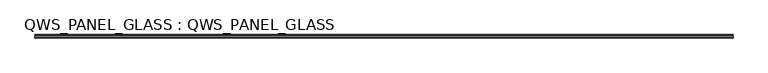
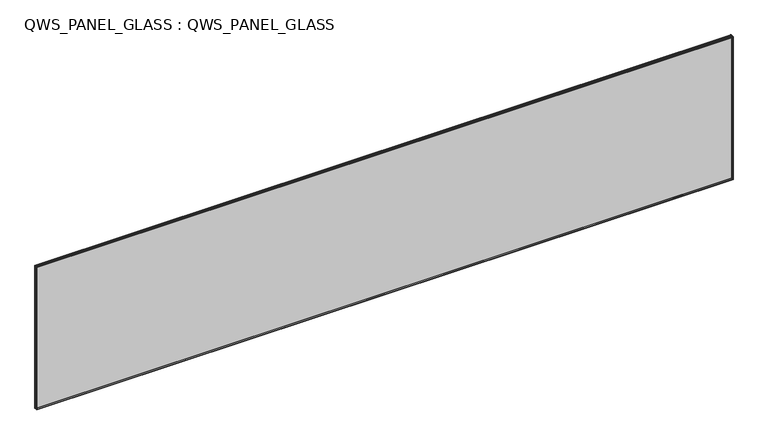
"""IFC4 building model written with IfcOpenShell, lengths in millimetres: plate geometry, QWS_PANEL_GLASS : QWS_PANEL_GLASS."""

from ifc_helpers import new_model, si_unit, frame, origin, place, context, project, spatial, polyline, outline, extrude, faceted_brep, source, transform, mapped, element, save


def qws_panel_glass_qws_panel_glass_76de3948(model_context):
    return source(origin(), model_context, "Body", "SolidModel", [
        extrude(outline(polyline([(-8928.830016, 33.4392996), (-8928.0895236, 34.179792), (8928.0895236, 34.179792), (8928.830016, 33.4392996), (8928.830016, 28.9297919), (8928.080016, 28.1797919), (-8928.080016, 28.1797919), (-8928.830016, 28.9297919), (-8928.830016, 33.4392996)])), frame((0.0, 0.0, 6.3500063), z_axis=(0.0, 0.0, 1.0), x_axis=(1.0, 0.0, 0.0)), (0.0, 0.0, 1.0), 3869.8250892),
        extrude(outline(polyline([(-8928.830016, 10.8642995), (-8928.0895236, 11.6047918), (8928.0895236, 11.6047918), (8928.830016, 10.8642995), (8928.830016, 6.3547918), (8928.080016, 5.6047918), (-8928.080016, 5.6047918), (-8928.830016, 6.3547918), (-8928.830016, 10.8642995)])), frame((0.0, 0.0, 6.3500063), z_axis=(0.0, 0.0, 1.0), x_axis=(1.0, 0.0, 0.0)), (0.0, 0.0, 1.0), 3869.8250892),
        faceted_brep([(-8928.080016, 11.6047919, 7.1000063), (-8928.080016, 28.179792, 7.1000063), (8928.080016, 28.179792, 7.1000063), (8928.080016, 11.6047919, 7.1000063), (-8919.0800159, 28.179792, 16.1000064), (-8919.0800159, 11.6047919, 16.1000064), (8919.0800159, 11.6047919, 16.1000064), (8919.0800159, 28.179792, 16.1000064), (8928.080016, 28.179792, 3875.4250955), (8928.080016, 11.6047919, 3875.4250955), (8919.0800159, 11.6047919, 3866.4250954), (8919.0800159, 28.179792, 3866.4250954), (-8928.080016, 28.179792, 3875.4250955), (-8928.080016, 11.6047919, 3875.4250955), (-8919.0800159, 11.6047919, 3866.4250954), (-8919.0800159, 28.179792, 3866.4250954)], [[[0, 1, 2, 3]], [[4, 5, 6, 7]], [[3, 2, 8, 9]], [[7, 6, 10, 11]], [[9, 8, 12, 13]], [[11, 10, 14, 15]], [[1, 12, 8, 2], [7, 11, 15, 4]], [[13, 12, 1, 0]], [[15, 14, 5, 4]], [[3, 9, 13, 0], [5, 14, 10, 6]]]),
        faceted_brep([(-8925.730241, 34.179792, 9.4497813), (-8925.730241, 37.4051031, 9.4497813), (8925.730241, 37.4051031, 9.4497813), (8925.730241, 34.179792, 9.4497813), (-8917.7302572, 37.4051031, 17.4497651), (-8917.7302572, 34.179792, 17.4497651), (8917.7302572, 34.179792, 17.4497651), (8917.7302572, 37.4051031, 17.4497651), (8925.730241, 37.4051031, 3873.0753205), (8925.730241, 34.179792, 3873.0753205), (8917.7302572, 34.179792, 3865.0753367), (8917.7302572, 37.4051031, 3865.0753367), (-8925.730241, 37.4051031, 3873.0753205), (-8925.730241, 34.179792, 3873.0753205), (-8917.7302572, 34.179792, 3865.0753367), (-8917.7302572, 37.4051031, 3865.0753367)], [[[0, 1, 2, 3]], [[4, 5, 6, 7]], [[3, 2, 8, 9]], [[7, 6, 10, 11]], [[9, 8, 12, 13]], [[11, 10, 14, 15]], [[1, 12, 8, 2], [7, 11, 15, 4]], [[13, 12, 1, 0]], [[3, 9, 13, 0], [5, 14, 10, 6]], [[15, 14, 5, 4]]]),
        faceted_brep([(-8917.8185052, 5.604792, 17.3615171), (-8917.8185052, 2.6397305, 17.3615171), (8917.8185052, 2.6397305, 17.3615171), (8917.8185052, 5.604792, 17.3615171), (-8935.1800223, -12.1420405, 0.0), (-8935.1800223, 5.604792, 0.0), (8935.1800223, 5.604792, 0.0), (8935.1800223, -12.1420405, 0.0), (-8933.9222746, 2.6397305, 1.2577476), (-8933.9222746, -12.1420405, 1.2577476), (8933.9222746, -12.1420405, 1.2577476), (8933.9222746, 2.6397305, 1.2577476), (8917.8185052, 2.6397305, 3865.1635847), (8917.8185052, 5.604792, 3865.1635847), (8935.1800223, 5.604792, 3882.5251018), (8935.1800223, -12.1420405, 3882.5251018), (8933.9222746, -12.1420405, 3881.2673541), (8933.9222746, 2.6397305, 3881.2673541), (-8917.8185052, 2.6397305, 3865.1635847), (-8917.8185052, 5.604792, 3865.1635847), (-8935.1800223, 5.604792, 3882.5251018), (-8935.1800223, -12.1420405, 3882.5251018), (-8933.9222746, -12.1420405, 3881.2673541), (-8933.9222746, 2.6397305, 3881.2673541)], [[[0, 1, 2, 3]], [[4, 5, 6, 7]], [[8, 9, 10, 11]], [[3, 2, 12, 13]], [[7, 6, 14, 15]], [[11, 10, 16, 17]], [[13, 12, 18, 19]], [[15, 14, 20, 21]], [[17, 16, 22, 23]], [[11, 17, 23, 8], [1, 18, 12, 2]], [[19, 18, 1, 0]], [[5, 20, 14, 6], [3, 13, 19, 0]], [[21, 20, 5, 4]], [[7, 15, 21, 4], [9, 22, 16, 10]], [[23, 22, 9, 8]]]),
        faceted_brep([(-8917.818505, 2.6397303, 17.3615172), (-8917.818505, -39.4200311, 17.3615172), (8917.818505, -39.4200311, 17.3615172), (8917.818505, 2.6397303, 17.3615172), (-8926.4818352, -1.7407893, 8.6981871), (-8926.4818352, 2.6397303, 8.6981871), (8926.4818352, 2.6397303, 8.6981871), (8926.4818352, -1.7407893, 8.6981871), (-8919.0885047, -18.6882645, 16.0915175), (-8919.0885047, -1.7407893, 16.0915175), (8919.0885047, -1.7407893, 16.0915175), (8919.0885047, -18.6882645, 16.0915175), (-8935.1800223, -36.2451682, 0.0), (-8935.1800223, -18.6882645, 0.0), (8935.1800223, -18.6882645, 0.0), (8935.1800223, -36.2451682, 0.0), (-8933.2165365, -39.4200311, 1.9634857), (-8933.2165365, -36.2451682, 1.9634857), (8933.2165365, -36.2451682, 1.9634857), (8933.2165365, -39.4200311, 1.9634857), (8917.818505, -39.4200311, 3865.1635845), (8917.818505, 2.6397303, 3865.1635845), (8926.4818352, 2.6397303, 3873.8269147), (8926.4818352, -1.7407893, 3873.8269147), (8919.0885047, -1.7407893, 3866.4335842), (8919.0885047, -18.6882645, 3866.4335842), (8935.1800223, -18.6882645, 3882.5251018), (8935.1800223, -36.2451682, 3882.5251018), (8933.2165365, -36.2451682, 3880.561616), (8933.2165365, -39.4200311, 3880.561616), (-8917.818505, -39.4200311, 3865.1635845), (-8917.818505, 2.6397303, 3865.1635845), (-8926.4818352, 2.6397303, 3873.8269147), (-8926.4818352, -1.7407893, 3873.8269147), (-8919.0885047, -1.7407893, 3866.4335842), (-8919.0885047, -18.6882645, 3866.4335842), (-8935.1800223, -18.6882645, 3882.5251018), (-8935.1800223, -36.2451682, 3882.5251018), (-8933.2165365, -36.2451682, 3880.561616), (-8933.2165365, -39.4200311, 3880.561616)], [[[0, 1, 2, 3]], [[4, 5, 6, 7]], [[8, 9, 10, 11]], [[12, 13, 14, 15]], [[16, 17, 18, 19]], [[3, 2, 20, 21]], [[7, 6, 22, 23]], [[11, 10, 24, 25]], [[15, 14, 26, 27]], [[19, 18, 28, 29]], [[21, 20, 30, 31]], [[23, 22, 32, 33]], [[25, 24, 34, 35]], [[27, 26, 36, 37]], [[29, 28, 38, 39]], [[31, 30, 1, 0]], [[5, 32, 22, 6], [3, 21, 31, 0]], [[33, 32, 5, 4]], [[7, 23, 33, 4], [9, 34, 24, 10]], [[35, 34, 9, 8]], [[13, 36, 26, 14], [11, 25, 35, 8]], [[37, 36, 13, 12]], [[15, 27, 37, 12], [17, 38, 28, 18]], [[39, 38, 17, 16]], [[19, 29, 39, 16], [1, 30, 20, 2]]]),
        faceted_brep([(-8925.7302409, 37.405103, 9.4497813), (-8925.7302409, 40.008095, 9.4497813), (8925.7302409, 40.008095, 9.4497813), (8925.7302409, 37.405103, 9.4497813), (-8917.730257, 41.405095, 17.4497652), (-8917.730257, 37.405103, 17.4497652), (8917.730257, 37.405103, 17.4497652), (8917.730257, 41.405095, 17.4497652), (-8935.1800223, 40.008095, 0.0), (-8935.1800223, 41.405095, 0.0), (8935.1800223, 41.405095, 0.0), (8935.1800223, 40.008095, 0.0), (8925.7302409, 40.008095, 3873.0753205), (8925.7302409, 37.405103, 3873.0753205), (8917.730257, 37.405103, 3865.0753365), (8917.730257, 41.405095, 3865.0753365), (8935.1800223, 41.405095, 3882.5251018), (8935.1800223, 40.008095, 3882.5251018), (-8925.7302409, 40.008095, 3873.0753205), (-8925.7302409, 37.405103, 3873.0753205), (-8917.730257, 37.405103, 3865.0753365), (-8917.730257, 41.405095, 3865.0753365), (-8935.1800223, 41.405095, 3882.5251018), (-8935.1800223, 40.008095, 3882.5251018)], [[[0, 1, 2, 3]], [[4, 5, 6, 7]], [[8, 9, 10, 11]], [[3, 2, 12, 13]], [[7, 6, 14, 15]], [[11, 10, 16, 17]], [[13, 12, 18, 19]], [[15, 14, 20, 21]], [[17, 16, 22, 23]], [[19, 18, 1, 0]], [[3, 13, 19, 0], [5, 20, 14, 6]], [[21, 20, 5, 4]], [[9, 22, 16, 10], [7, 15, 21, 4]], [[23, 22, 9, 8]], [[11, 17, 23, 8], [1, 18, 12, 2]]]),
    ])


if __name__ == "__main__":
    model = new_model("IFC4")
    model_context = context("Model", 3, world=origin())
    ifc_project = project(units=[si_unit("LENGTHUNIT", "METRE", prefix="MILLI")], contexts=[model_context])
    site = spatial("IfcSite", under=ifc_project)
    building = spatial("IfcBuilding", under=site)
    placement = place(None, origin())
    qws_panel_glass_qws_panel_glass_shape = qws_panel_glass_qws_panel_glass_76de3948(model_context)
    element("IfcPlate", 1, ObjectType="QWS_PANEL_GLASS : QWS_PANEL_GLASS", at=placement, inside=building, context=model_context, shape_type="MappedRepresentation", body=[
        mapped(qws_panel_glass_qws_panel_glass_shape, transform((0.0, 0.0, 0.0), x_axis=(1.0, 0.0, 0.0), y_axis=(0.0, 1.0, 0.0), z_axis=(0.0, 0.0, 1.0))),
    ])
    save(model, "model.ifc")
